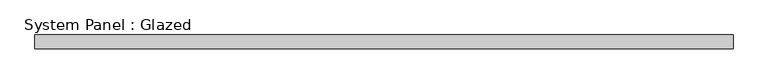
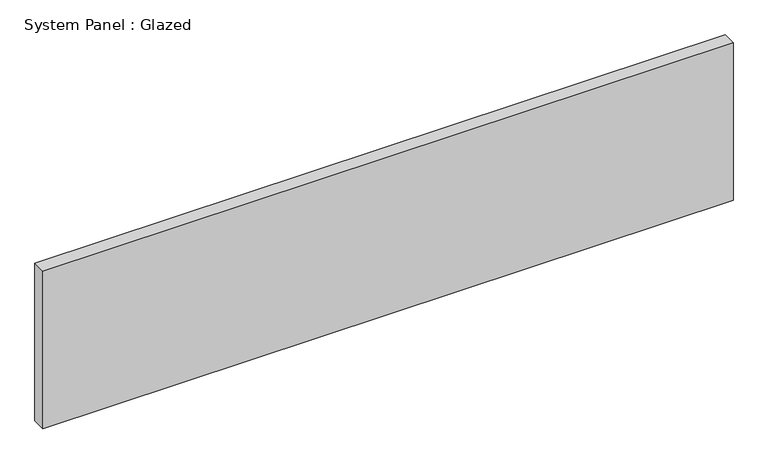
"""IFC4 building model written with IfcOpenShell, lengths in millimetres: plate geometry, System Panel : Glazed."""

from ifc_helpers import new_model, si_unit, origin, origin_with_axes, place, context, project, spatial, polyline, outline, extrude, source, transform, mapped, element, save


def system_panel_glazed_478b3ac5(model_context):
    return source(origin(), model_context, "Body", "SweptSolid", [
        extrude(outline(polyline([(622.0, 24.5), (-622.0, 24.5), (-622.0, 49.5), (622.0, 49.5), (622.0, 24.5)])), origin_with_axes(), (0.0, 0.0, 1.0), 300.0),
    ])


if __name__ == "__main__":
    model = new_model("IFC4")
    model_context = context("Model", 3, world=origin())
    ifc_project = project(units=[si_unit("LENGTHUNIT", "METRE", prefix="MILLI")], contexts=[model_context])
    site = spatial("IfcSite", under=ifc_project)
    building = spatial("IfcBuilding", under=site)
    placement = place(None, origin())
    system_panel_glazed_shape = system_panel_glazed_478b3ac5(model_context)
    element("IfcPlate", 1, ObjectType="System Panel : Glazed", at=placement, inside=building, context=model_context, shape_type="MappedRepresentation", body=[
        mapped(system_panel_glazed_shape, transform((0.0, 0.0, 0.0), x_axis=(1.0, 0.0, 0.0), y_axis=(0.0, 1.0, 0.0), z_axis=(0.0, 0.0, 1.0))),
    ])
    save(model, "model.ifc")
